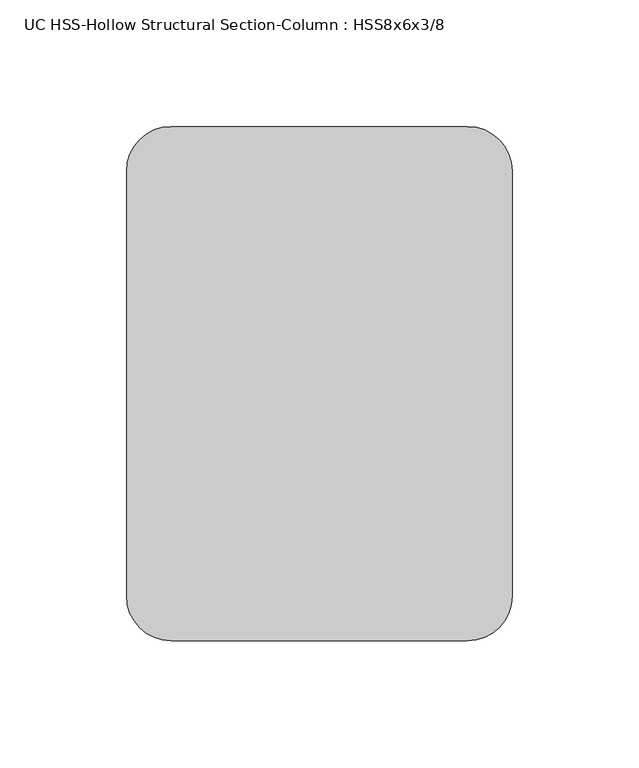
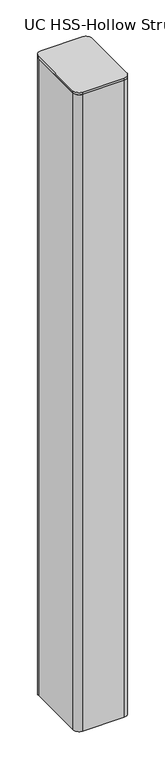
"""IFC4 building model written with IfcOpenShell, lengths in millimetres: column geometry, UC HSS-Hollow Structural Section-Column : HSS8x6x3/8."""

from ifc_helpers import new_model, si_unit, point, frame, frame_2d, origin, place, context, project, spatial, polyline, circle_curve, trimmed, segment, composite_curve, outline, extrude, source, transform, mapped, element, save


def uc_hss_hollow_structural_section_column_hss8x6x3_8_749789a8(model_context):
    return source(origin(), model_context, "Body", "SweptSolid", [
        extrude(outline(composite_curve([segment(trimmed(circle_curve(frame_2d((-58.5390625, 83.9390625)), 17.6609375), [point((-76.2, 83.9390625))], [point((-58.5390625, 101.6))], False, "CARTESIAN"), True, "CONTINUOUS"), segment(polyline([(-58.5390625, 101.6), (58.5390625, 101.6)]), True, "CONTINUOUS"), segment(trimmed(circle_curve(frame_2d((58.5390625, 83.9390625)), 17.6609375), [point((58.5390625, 101.6))], [point((76.2, 83.9390625))], False, "CARTESIAN"), True, "CONTINUOUS"), segment(polyline([(76.2, 83.9390625), (76.2, -83.9390625)]), True, "CONTINUOUS"), segment(trimmed(circle_curve(frame_2d((58.5390625, -83.9390625)), 17.6609375), [point((76.2, -83.9390625))], [point((58.5390625, -101.6))], False, "CARTESIAN"), True, "CONTINUOUS"), segment(polyline([(58.5390625, -101.6), (-58.5390625, -101.6)]), True, "CONTINUOUS"), segment(trimmed(circle_curve(frame_2d((-58.5390625, -83.9390625)), 17.6609375), [point((-58.5390625, -101.6))], [point((-76.2, -83.9390625))], False, "CARTESIAN"), True, "CONTINUOUS"), segment(polyline([(-76.2, -83.9390625), (-76.2, 83.9390625)]), True, "CONTINUOUS")], self_intersect=False)), frame((0.0, 0.0, 41852.85), z_axis=(0.0, 0.0, 1.0), x_axis=(1.0, 0.0, 0.0)), (0.0, 0.0, 1.0), 6.35),
        extrude(outline(composite_curve([segment(trimmed(circle_curve(frame_2d((58.4708, 83.8708)), 17.7292), [point((58.4708, 101.6))], [point((76.2, 83.8708))], False, "CARTESIAN"), True, "CONTINUOUS"), segment(polyline([(76.2, 83.8708), (76.2, -83.8708)]), True, "CONTINUOUS"), segment(trimmed(circle_curve(frame_2d((58.4708, -83.8708)), 17.7292), [point((76.2, -83.8708))], [point((58.4708, -101.6))], False, "CARTESIAN"), True, "CONTINUOUS"), segment(polyline([(58.4708, -101.6), (-58.4708, -101.6)]), True, "CONTINUOUS"), segment(trimmed(circle_curve(frame_2d((-58.4708, -83.8708)), 17.7292), [point((-58.4708, -101.6))], [point((-76.2, -83.8708))], False, "CARTESIAN"), True, "CONTINUOUS"), segment(polyline([(-76.2, -83.8708), (-76.2, 83.8708)]), True, "CONTINUOUS"), segment(trimmed(circle_curve(frame_2d((-58.4708, 83.8708)), 17.7292), [point((-76.2, 83.8708))], [point((-58.4708, 101.6))], False, "CARTESIAN"), True, "CONTINUOUS"), segment(polyline([(-58.4708, 101.6), (58.4708, 101.6)]), True, "CONTINUOUS")], self_intersect=False), holes=[composite_curve([segment(polyline([(58.4708, 92.7354), (-58.4708, 92.7354)]), True, "CONTINUOUS"), segment(trimmed(circle_curve(frame_2d((-58.4708, 83.8708)), 8.8646), [point((-58.4708, 92.7354))], [point((-67.3354, 83.8708))], True, "CARTESIAN"), True, "CONTINUOUS"), segment(polyline([(-67.3354, 83.8708), (-67.3354, -83.8708)]), True, "CONTINUOUS"), segment(trimmed(circle_curve(frame_2d((-58.4708, -83.8708)), 8.8646), [point((-67.3354, -83.8708))], [point((-58.4708, -92.7354))], True, "CARTESIAN"), True, "CONTINUOUS"), segment(polyline([(-58.4708, -92.7354), (58.4708, -92.7354)]), True, "CONTINUOUS"), segment(trimmed(circle_curve(frame_2d((58.4708, -83.8708)), 8.8646), [point((58.4708, -92.7354))], [point((67.3354, -83.8708))], True, "CARTESIAN"), True, "CONTINUOUS"), segment(polyline([(67.3354, -83.8708), (67.3354, 83.8708)]), True, "CONTINUOUS"), segment(trimmed(circle_curve(frame_2d((58.4708, 83.8708)), 8.8646), [point((67.3354, 83.8708))], [point((58.4708, 92.7354))], True, "CARTESIAN"), True, "CONTINUOUS")], self_intersect=False)]), frame((0.0, 0.0, 39954.2), z_axis=(0.0, 0.0, 1.0), x_axis=(1.0, 0.0, 0.0)), (0.0, 0.0, 1.0), 1898.65),
    ])


if __name__ == "__main__":
    model = new_model("IFC4")
    model_context = context("Model", 3, world=origin())
    ifc_project = project(units=[si_unit("LENGTHUNIT", "METRE", prefix="MILLI")], contexts=[model_context])
    site = spatial("IfcSite", under=ifc_project)
    building = spatial("IfcBuilding", under=site)
    placement = place(None, origin())
    uc_hss_hollow_structural_section_column_hss8x6x3_8_shape = uc_hss_hollow_structural_section_column_hss8x6x3_8_749789a8(model_context)
    element("IfcColumn", 1, ObjectType="UC HSS-Hollow Structural Section-Column : HSS8x6x3/8", at=placement, inside=building, context=model_context, shape_type="MappedRepresentation", body=[
        mapped(uc_hss_hollow_structural_section_column_hss8x6x3_8_shape, transform((0.0, 0.0, 0.0), x_axis=(1.0, 0.0, 0.0), y_axis=(0.0, 1.0, 0.0), z_axis=(0.0, 0.0, 1.0))),
    ])
    save(model, "model.ifc")
